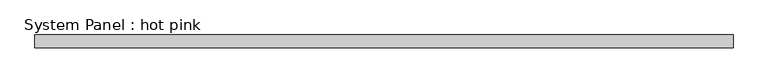
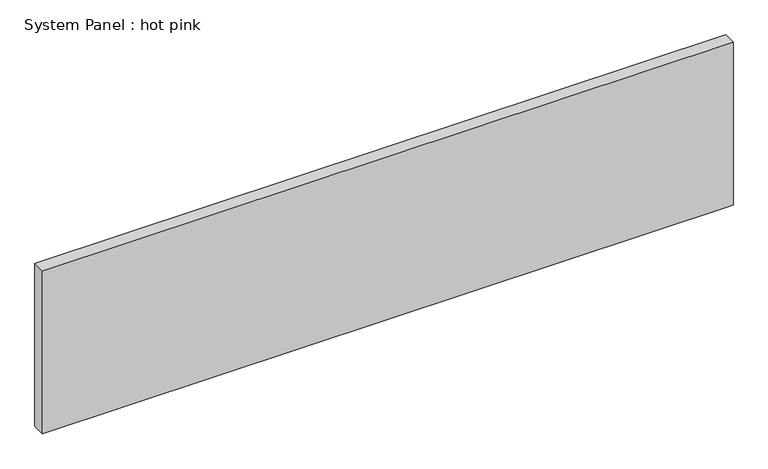
"""IFC4 building model written with IfcOpenShell, lengths in millimetres: plate geometry, System Panel : hot pink."""

from ifc_helpers import new_model, si_unit, origin, origin_with_axes, place, context, project, spatial, polyline, outline, extrude, source, transform, mapped, element, save


def system_panel_hot_pink_e7c6c956(model_context):
    return source(origin(), model_context, "Body", "SweptSolid", [
        extrude(outline(polyline([(1703.4957867, -44.45), (-1703.4957867, -44.45), (-1703.4957867, 19.05), (1703.4957867, 19.05), (1703.4957867, -44.45)])), origin_with_axes(), (0.0, 0.0, 1.0), 850.9),
    ])


if __name__ == "__main__":
    model = new_model("IFC4")
    model_context = context("Model", 3, world=origin())
    ifc_project = project(units=[si_unit("LENGTHUNIT", "METRE", prefix="MILLI")], contexts=[model_context])
    site = spatial("IfcSite", under=ifc_project)
    building = spatial("IfcBuilding", under=site)
    placement = place(None, origin())
    system_panel_hot_pink_shape = system_panel_hot_pink_e7c6c956(model_context)
    element("IfcPlate", 1, ObjectType="System Panel : hot pink", at=placement, inside=building, context=model_context, shape_type="MappedRepresentation", body=[
        mapped(system_panel_hot_pink_shape, transform((0.0, 0.0, 0.0), x_axis=(1.0, 0.0, 0.0), y_axis=(0.0, 1.0, 0.0), z_axis=(0.0, 0.0, 1.0))),
    ])
    save(model, "model.ifc")
